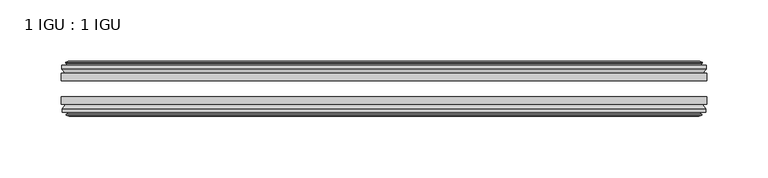
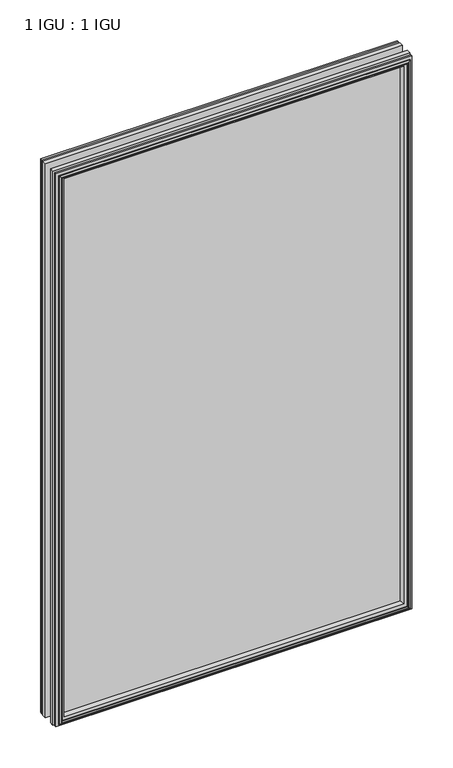
"""IFC4 building model written with IfcOpenShell, lengths in millimetres: plate geometry, 1 IGU : 1 IGU."""

from ifc_helpers import new_model, si_unit, frame, origin, place, context, project, spatial, polyline, outline, extrude, faceted_brep, source, transform, mapped, element, save


def plate_1_igu_1_igu_77b00ac5(model_context):
    return source(origin(), model_context, "Body", "SolidModel", [
        extrude(outline(polyline([(263.509125, -25.8960937), (263.509125, -32.2460938), (-263.509125, -32.2460938), (-263.509125, -25.8960937), (263.509125, -25.8960937)])), frame((0.0, 0.0, -12.7), z_axis=(0.0, 0.0, 1.0), x_axis=(1.0, 0.0, 0.0)), (0.0, 0.0, 1.0), 863.6),
        extrude(outline(polyline([(-263.509125, -51.2960938), (-263.509125, -45.2686737), (263.509125, -45.2686737), (263.509125, -51.2960938), (-263.509125, -51.2960938)])), frame((0.0, 0.0, -12.7), z_axis=(0.0, 0.0, 1.0), x_axis=(1.0, 0.0, 0.0)), (0.0, 0.0, 1.0), 863.6),
        faceted_brep([(-257.921125, -60.0262907, 845.312), (-258.302125, -57.6460937, 845.693), (-258.302125, -57.6460937, -7.493), (-257.921125, -60.0262907, -7.112), (-259.3366541, -59.5663575, 846.727529), (-259.3366541, -59.5663575, -8.5275291), (-259.3366541, -60.3675717, 846.727529), (-259.3366541, -60.3675717, -8.5275291), (-257.159125, -61.0750937, 844.55), (-257.159125, -61.0750937, -6.35), (-254.9815959, -60.3675717, 842.3724709), (-254.9815959, -60.3675717, -4.1724709), (-254.9815959, -59.5663575, 842.3724709), (-254.9815959, -59.5663575, -4.1724709), (-256.397125, -60.0262907, 843.788), (-256.397125, -60.0262907, -5.588), (-256.016125, -57.6460937, 843.407), (-256.016125, -57.6460937, -5.207), (-249.0914069, -51.2960937, 836.4822819), (-250.809125, -57.6460937, 838.2), (-250.809125, -57.6460937, 0.0), (-249.0914069, -51.2960937, 1.7177181), (-262.747125, -54.6996937, 850.138), (-259.9127828, -51.2960937, 847.3036578), (-259.9127828, -51.2960937, -9.1036578), (-262.747125, -54.6996937, -11.938), (-262.747125, -57.6460937, 850.138), (-262.747125, -57.6460937, -11.938), (258.302125, -57.6460938, -7.493), (257.921125, -60.0262907, -7.112), (259.3366541, -59.5663575, -8.5275291), (259.3366541, -60.3675717, -8.5275291), (257.159125, -61.0750937, -6.35), (254.9815959, -60.3675717, -4.1724709), (254.9815959, -59.5663575, -4.1724709), (256.397125, -60.0262907, -5.588), (256.016125, -57.6460937, -5.207), (250.809125, -57.6460937, 0.0), (249.0914069, -51.2960937, 1.7177181), (259.9127828, -51.2960937, -9.1036578), (262.747125, -54.6996937, -11.938), (262.747125, -57.6460938, -11.938), (258.302125, -57.6460938, 845.693), (257.921125, -60.0262907, 845.312), (259.3366541, -59.5663575, 846.727529), (259.3366541, -60.3675717, 846.727529), (257.159125, -61.0750937, 844.55), (254.9815959, -60.3675717, 842.3724709), (254.9815959, -59.5663575, 842.3724709), (256.397125, -60.0262907, 843.788), (256.016125, -57.6460937, 843.407), (250.809125, -57.6460937, 838.2), (249.0914069, -51.2960937, 836.4822819), (259.9127828, -51.2960937, 847.3036578), (262.747125, -54.6996937, 850.138), (262.747125, -57.6460938, 850.138)], [[[0, 1, 2, 3]], [[4, 0, 3, 5]], [[6, 4, 5, 7]], [[8, 6, 7, 9]], [[10, 8, 9, 11]], [[12, 10, 11, 13]], [[14, 12, 13, 15]], [[16, 14, 15, 17]], [[18, 19, 20, 21]], [[22, 23, 24, 25]], [[26, 22, 25, 27]], [[3, 2, 28, 29]], [[5, 3, 29, 30]], [[7, 5, 30, 31]], [[9, 7, 31, 32]], [[11, 9, 32, 33]], [[13, 11, 33, 34]], [[15, 13, 34, 35]], [[17, 15, 35, 36]], [[21, 20, 37, 38]], [[25, 24, 39, 40]], [[27, 25, 40, 41]], [[29, 28, 42, 43]], [[30, 29, 43, 44]], [[31, 30, 44, 45]], [[32, 31, 45, 46]], [[33, 32, 46, 47]], [[34, 33, 47, 48]], [[35, 34, 48, 49]], [[36, 35, 49, 50]], [[38, 37, 51, 52]], [[40, 39, 53, 54]], [[41, 40, 54, 55]], [[27, 41, 55, 26], [1, 42, 28, 2]], [[43, 42, 1, 0]], [[44, 43, 0, 4]], [[45, 44, 4, 6]], [[46, 45, 6, 8]], [[47, 46, 8, 10]], [[48, 47, 10, 12]], [[49, 48, 12, 14]], [[50, 49, 14, 16]], [[17, 36, 50, 16], [19, 51, 37, 20]], [[52, 51, 19, 18]], [[23, 53, 39, 24], [21, 38, 52, 18]], [[54, 53, 23, 22]], [[55, 54, 22, 26]]]),
        faceted_brep([(-260.4334828, -25.8960937, 847.8243578), (-263.267825, -22.4924937, 850.6587), (-263.267825, -22.4924937, -12.4587), (-260.4334828, -25.8960937, -9.6243578), (-251.329825, -19.5460937, 838.7207), (-249.6121069, -25.8960937, 837.0029819), (-249.6121069, -25.8960937, 1.1970181), (-251.329825, -19.5460937, -0.5207), (-256.917825, -17.1658968, 844.3087), (-256.536825, -19.5460937, 843.9277), (-256.536825, -19.5460937, -5.7277), (-256.917825, -17.1658968, -6.1087), (-255.5022959, -17.62583, 842.8931709), (-255.5022959, -17.62583, -4.6931709), (-255.5022959, -16.8246158, 842.8931709), (-255.5022959, -16.8246158, -4.6931709), (-257.679825, -16.1170937, 845.0707), (-257.679825, -16.1170937, -6.8707), (-259.8573541, -16.8246158, 847.248229), (-259.8573541, -16.8246158, -9.0482291), (-259.8573541, -17.62583, 847.248229), (-259.8573541, -17.62583, -9.0482291), (-258.441825, -17.1658968, 845.8327), (-258.441825, -17.1658968, -7.6327), (-258.822825, -19.5460937, 846.2137), (-258.822825, -19.5460937, -8.0137), (-263.267825, -19.5460937, 850.6587), (-263.267825, -19.5460937, -12.4587), (263.267825, -22.4924937, -12.4587), (260.4334828, -25.8960937, -9.6243578), (249.6121069, -25.8960937, 1.1970181), (251.329825, -19.5460937, -0.5207), (256.536825, -19.5460937, -5.7277), (256.917825, -17.1658968, -6.1087), (255.5022959, -17.62583, -4.6931709), (255.5022959, -16.8246158, -4.6931709), (257.679825, -16.1170937, -6.8707), (259.8573541, -16.8246158, -9.0482291), (259.8573541, -17.62583, -9.0482291), (258.441825, -17.1658968, -7.6327), (258.822825, -19.5460937, -8.0137), (263.267825, -19.5460937, -12.4587), (263.267825, -22.4924937, 850.6587), (260.4334828, -25.8960937, 847.8243578), (249.6121069, -25.8960937, 837.0029819), (251.329825, -19.5460937, 838.7207), (256.536825, -19.5460937, 843.9277), (256.917825, -17.1658968, 844.3087), (255.5022959, -17.62583, 842.8931709), (255.5022959, -16.8246158, 842.8931709), (257.679825, -16.1170937, 845.0707), (259.8573541, -16.8246158, 847.248229), (259.8573541, -17.62583, 847.248229), (258.441825, -17.1658968, 845.8327), (258.822825, -19.5460937, 846.2137), (263.267825, -19.5460937, 850.6587)], [[[0, 1, 2, 3]], [[4, 5, 6, 7]], [[8, 9, 10, 11]], [[12, 8, 11, 13]], [[14, 12, 13, 15]], [[16, 14, 15, 17]], [[18, 16, 17, 19]], [[20, 18, 19, 21]], [[22, 20, 21, 23]], [[24, 22, 23, 25]], [[1, 26, 27, 2]], [[3, 2, 28, 29]], [[7, 6, 30, 31]], [[11, 10, 32, 33]], [[13, 11, 33, 34]], [[15, 13, 34, 35]], [[17, 15, 35, 36]], [[19, 17, 36, 37]], [[21, 19, 37, 38]], [[23, 21, 38, 39]], [[25, 23, 39, 40]], [[2, 27, 41, 28]], [[29, 28, 42, 43]], [[31, 30, 44, 45]], [[33, 32, 46, 47]], [[34, 33, 47, 48]], [[35, 34, 48, 49]], [[36, 35, 49, 50]], [[37, 36, 50, 51]], [[38, 37, 51, 52]], [[39, 38, 52, 53]], [[40, 39, 53, 54]], [[28, 41, 55, 42]], [[43, 42, 1, 0]], [[3, 29, 43, 0], [5, 44, 30, 6]], [[45, 44, 5, 4]], [[9, 46, 32, 10], [7, 31, 45, 4]], [[47, 46, 9, 8]], [[48, 47, 8, 12]], [[49, 48, 12, 14]], [[50, 49, 14, 16]], [[51, 50, 16, 18]], [[52, 51, 18, 20]], [[53, 52, 20, 22]], [[54, 53, 22, 24]], [[26, 55, 41, 27], [25, 40, 54, 24]], [[42, 55, 26, 1]]]),
    ])


if __name__ == "__main__":
    model = new_model("IFC4")
    model_context = context("Model", 3, world=origin())
    ifc_project = project(units=[si_unit("LENGTHUNIT", "METRE", prefix="MILLI")], contexts=[model_context])
    site = spatial("IfcSite", under=ifc_project)
    building = spatial("IfcBuilding", under=site)
    placement = place(None, origin())
    plate_1_igu_1_igu_shape = plate_1_igu_1_igu_77b00ac5(model_context)
    element("IfcPlate", 1, ObjectType="1 IGU : 1 IGU", at=placement, inside=building, context=model_context, shape_type="MappedRepresentation", body=[
        mapped(plate_1_igu_1_igu_shape, transform((0.0, 0.0, 0.0), x_axis=(1.0, 0.0, 0.0), y_axis=(0.0, 1.0, 0.0), z_axis=(0.0, 0.0, 1.0))),
    ])
    save(model, "model.ifc")
